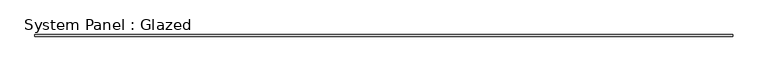
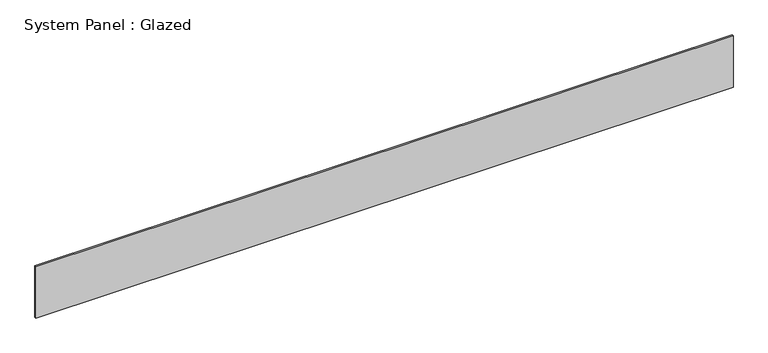
"""IFC4 building model written with IfcOpenShell, lengths in millimetres: plate geometry, System Panel : Glazed."""

import ifcopenshell
import ifcopenshell.guid

model = None  # the IFC model being written
_history = None  # IfcOwnerHistory: only IFC2X3 demands one
_inside = {}  # id of a spatial element -> (the spatial element, [elements in it])
_under = {}  # id of a project, library or spatial element -> (it, [spatial elements below it])
_declared = {}  # id of a project -> (the project, [libraries it declares])
_typed = {}  # id of a type object -> (the type object, [elements of that type])
_made_of = {}  # id of a material, layer set ... -> (it, [elements and type objects made of it])


def new_model(schema):
    """Start an empty IFC model of exactly this schema.

    Asked for "IFC4X3", IfcOpenShell would pick the latest addendum, in which some entities
    have other attributes; the version numbers below select the first issue.
    IFC2X3 requires an IfcOwnerHistory on every rooted entity: one is made here for all.
    """
    global model, _history
    if schema == "IFC4X3":
        model = ifcopenshell.file(schema_version=(4, 3, 0, 0))
    else:
        model = ifcopenshell.file(schema=schema)
    _inside.clear()
    _under.clear()
    _declared.clear()
    _typed.clear()
    _made_of.clear()
    _history = None
    if model.schema == "IFC2X3":
        org = make("IfcOrganization", Name="unknown")
        user = make(
            "IfcPersonAndOrganization",
            ThePerson=make("IfcPerson", FamilyName="unknown"),
            TheOrganization=org,
        )
        app = make(
            "IfcApplication",
            ApplicationDeveloper=org,
            Version="unknown",
            ApplicationFullName="unknown",
            ApplicationIdentifier="unknown",
        )
        _history = make(
            "IfcOwnerHistory",
            OwningUser=user,
            OwningApplication=app,
            ChangeAction="ADDED",
            CreationDate=0,
        )
    return model


def make(cls, **values):
    """One entity of the class cls with the attributes given. An attribute that is None is left unset."""
    return model.create_entity(
        cls, **{name: value for name, value in values.items() if value is not None}
    )


def rooted(cls, **values):
    """An entity with a GlobalId (a new one), such as an element, a storey or a relation."""
    return make(cls, GlobalId=ifcopenshell.guid.new(), OwnerHistory=_history, **values)


def si_unit(unit_type, name, prefix=None):
    """IfcSIUnit, for example si_unit("LENGTHUNIT", "METRE", prefix="MILLI")."""
    return make("IfcSIUnit", UnitType=unit_type, Prefix=prefix, Name=name)


def assignment(units):
    """IfcUnitAssignment: the units of a project."""
    return None if units is None else make("IfcUnitAssignment", Units=units)


def point(xyz):
    """IfcCartesianPoint."""
    return None if xyz is None else make("IfcCartesianPoint", Coordinates=xyz)


def direction(xyz):
    """IfcDirection."""
    return None if xyz is None else make("IfcDirection", DirectionRatios=xyz)


def frame(location, z_axis=None, x_axis=None):
    """IfcAxis2Placement3D, a coordinate frame: its origin and axes. An axis left out is left unset."""
    return make(
        "IfcAxis2Placement3D",
        Location=point(location),
        Axis=direction(z_axis),
        RefDirection=direction(x_axis),
    )


def origin():
    """The frame at (0, 0, 0) with its axes left unset."""
    return frame((0.0, 0.0, 0.0))


def origin_with_axes():
    """The frame at (0, 0, 0) with the z axis (0, 0, 1) and the x axis (1, 0, 0) written out."""
    return frame((0.0, 0.0, 0.0), z_axis=(0.0, 0.0, 1.0), x_axis=(1.0, 0.0, 0.0))


def place(relative_to, where):
    """IfcLocalPlacement: puts the frame where relative to a parent placement (None: the world)."""
    return make(
        "IfcLocalPlacement", PlacementRelTo=relative_to, RelativePlacement=where
    )


def context(
    kind, dimensions, precision=None, world=None, true_north=None, identifier=None
):
    """IfcGeometricRepresentationContext, for example the 3D "Model" context."""
    return make(
        "IfcGeometricRepresentationContext",
        ContextIdentifier=identifier,
        ContextType=kind,
        CoordinateSpaceDimension=dimensions,
        Precision=precision,
        WorldCoordinateSystem=world,
        TrueNorth=true_north,
    )


def project(units=None, contexts=None):
    """IfcProject with its units and contexts."""
    return rooted(
        "IfcProject",
        Name="project",
        RepresentationContexts=contexts,
        UnitsInContext=assignment(units),
    )


def spatial(cls, under=None, at=None, **own):
    """A site, building, storey or space (cls), placed at a placement, below another one or the project."""
    s = rooted(cls, ObjectPlacement=at, **own)
    if under is not None:
        _under.setdefault(under.id(), (under, []))[1].append(s)
    return s


def polyline(points):
    """IfcPolyline through the points."""
    return make("IfcPolyline", Points=[point(p) for p in points])


def outline(outer, holes=None, kind="AREA"):
    """IfcArbitraryClosedProfileDef: a profile drawn as a closed curve; with holes, ...WithVoids."""
    if holes is None:
        return make("IfcArbitraryClosedProfileDef", ProfileType=kind, OuterCurve=outer)
    return make(
        "IfcArbitraryProfileDefWithVoids",
        ProfileType=kind,
        OuterCurve=outer,
        InnerCurves=holes,
    )


def extrude(swept, where, along, depth):
    """IfcExtrudedAreaSolid: the profile swept, set in the frame where, extruded along a direction by depth."""
    return make(
        "IfcExtrudedAreaSolid",
        SweptArea=swept,
        Position=where,
        ExtrudedDirection=direction(along),
        Depth=depth,
    )


def shape(context_of_items, identifier, shape_type, items):
    """IfcShapeRepresentation: the items that make up one representation, for example the "Body"."""
    return make(
        "IfcShapeRepresentation",
        ContextOfItems=context_of_items,
        RepresentationIdentifier=identifier,
        RepresentationType=shape_type,
        Items=items,
    )


def source(mapping_origin, context_of_items, identifier, shape_type, items):
    """IfcRepresentationMap: a shape defined once, which mapped items show again and again."""
    return make(
        "IfcRepresentationMap",
        MappingOrigin=mapping_origin,
        MappedRepresentation=shape(context_of_items, identifier, shape_type, items),
    )


def transform(
    local_origin,
    x_axis=None,
    y_axis=None,
    z_axis=None,
    scale=None,
    scale2=None,
    scale3=None,
    uniform=True,
):
    """IfcCartesianTransformationOperator3D, or its non-uniform kind. x_axis, y_axis, z_axis: its Axis1, 2, 3."""
    if uniform:
        return make(
            "IfcCartesianTransformationOperator3D",
            Axis1=direction(x_axis),
            Axis2=direction(y_axis),
            LocalOrigin=point(local_origin),
            Scale=scale,
            Axis3=direction(z_axis),
        )
    return make(
        "IfcCartesianTransformationOperator3DnonUniform",
        Axis1=direction(x_axis),
        Axis2=direction(y_axis),
        LocalOrigin=point(local_origin),
        Scale=scale,
        Axis3=direction(z_axis),
        Scale2=scale2,
        Scale3=scale3,
    )


def mapped(mapping_source, mapping_target):
    """IfcMappedItem: shows the shape of a source again, moved by a transform."""
    return make(
        "IfcMappedItem", MappingSource=mapping_source, MappingTarget=mapping_target
    )


def made_of(thing, what):
    """Note that an element or type object is made of a material, layer set ...; save() writes the relation."""
    if what is not None:
        _made_of.setdefault(what.id(), (what, []))[1].append(thing)
    return thing


def element(
    cls,
    number,
    at=None,
    inside=None,
    cuts=None,
    type_object=None,
    material=None,
    context=None,
    identifier="Body",
    shape_type=None,
    held_by="IfcProductDefinitionShape",
    body=None,
    shapes=None,
    **own,
):
    """One element of the class cls, such as IfcWall. Its Tag is "e" and its number.

    at: its placement. inside: the storey or other place that contains it. cuts: it is an
    opening in that element (IfcRelVoidsElement). A single representation is given by context,
    identifier, shape_type and body (its items); several are given by shapes. held_by: the class
    of the entity that holds the representations. save() writes the other relations.
    """
    e = rooted(cls, Tag="e%d" % number, ObjectPlacement=at, **own)
    if body is not None:
        shapes = [shape(context, identifier, shape_type, body)]
    if shapes is not None:
        e.Representation = make(held_by, Representations=shapes)
    if inside is not None:
        _inside.setdefault(inside.id(), (inside, []))[1].append(e)
    if cuts is not None:
        rooted(
            "IfcRelVoidsElement", RelatingBuildingElement=cuts, RelatedOpeningElement=e
        )
    if type_object is not None:
        _typed.setdefault(type_object.id(), (type_object, []))[1].append(e)
    return made_of(e, material)


def aggregate(whole, parts):
    """IfcRelAggregates: a whole, such as a stair, and the parts it consists of."""
    return rooted("IfcRelAggregates", RelatingObject=whole, RelatedObjects=parts)


def save(model, path):
    """Write the relations noted so far, then the file.

    IfcRelAggregates (storeys below a building ...), IfcRelContainedInSpatialStructure (elements
    in a storey), IfcRelDefinesByType, IfcRelAssociatesMaterial and IfcRelDeclares: one each for
    every whole, place, type object, material and project.
    """
    for whole, parts in _under.values():
        aggregate(whole, parts)
    for where, things in _inside.values():
        rooted(
            "IfcRelContainedInSpatialStructure",
            RelatedElements=things,
            RelatingStructure=where,
        )
    for kind, things in _typed.values():
        rooted("IfcRelDefinesByType", RelatedObjects=things, RelatingType=kind)
    for what, things in _made_of.values():
        rooted("IfcRelAssociatesMaterial", RelatedObjects=things, RelatingMaterial=what)
    for by, libraries in _declared.values():
        rooted("IfcRelDeclares", RelatingContext=by, RelatedDefinitions=libraries)
    model.write(path)


def system_panel_glazed_b88ce48d(model_context):
    return source(origin(), model_context, "Body", "SweptSolid", [
        extrude(outline(polyline([(5460.8881445, 24.5), (-5460.8881445, 24.5), (-5460.8881445, 49.5), (5460.8881445, 49.5), (5460.8881445, 24.5)])), origin_with_axes(), (0.0, 0.0, 1.0), 850.0),
    ])


if __name__ == "__main__":
    model = new_model("IFC4")
    model_context = context("Model", 3, world=origin())
    ifc_project = project(units=[si_unit("LENGTHUNIT", "METRE", prefix="MILLI")], contexts=[model_context])
    site = spatial("IfcSite", under=ifc_project)
    building = spatial("IfcBuilding", under=site)
    placement = place(None, origin())
    system_panel_glazed_shape = system_panel_glazed_b88ce48d(model_context)
    element("IfcPlate", 1, ObjectType="System Panel : Glazed", at=placement, inside=building, context=model_context, shape_type="MappedRepresentation", body=[
        mapped(system_panel_glazed_shape, transform((0.0, 0.0, 0.0), x_axis=(1.0, 0.0, 0.0), y_axis=(0.0, 1.0, 0.0), z_axis=(0.0, 0.0, 1.0))),
    ])
    save(model, "model.ifc")
